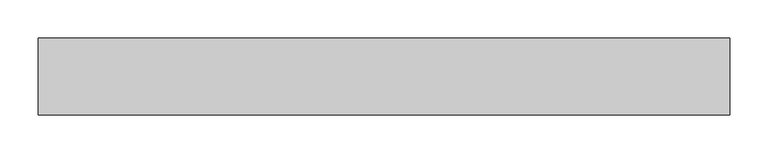
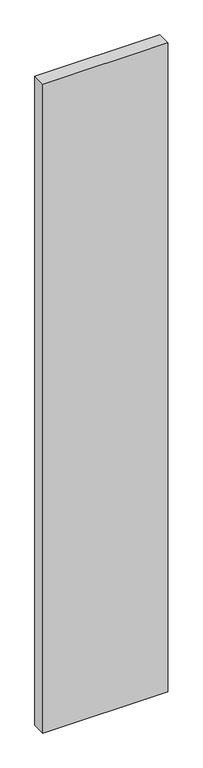
"""IFC4 building model written with IfcOpenShell, lengths in millimetres: proxy geometry."""

from ifc_helpers import new_model, si_unit, frame, origin, place, context, project, spatial, polyline, outline, extrude, source, transform, mapped, element, save


def generic_models_98c60fc6(model_context):
    return source(origin(), model_context, "Body", "SweptSolid", [
        extrude(outline(polyline([(900.0, 100.0), (900.0, 0.0), (0.0, 0.0), (0.0, 100.0), (900.0, 100.0)])), frame((0.0, 0.0, -4950.0), z_axis=(0.0, 0.0, 1.0), x_axis=(1.0, 0.0, 0.0)), (0.0, 0.0, 1.0), 4950.0),
    ])


if __name__ == "__main__":
    model = new_model("IFC4")
    model_context = context("Model", 3, world=origin())
    ifc_project = project(units=[si_unit("LENGTHUNIT", "METRE", prefix="MILLI")], contexts=[model_context])
    site = spatial("IfcSite", under=ifc_project)
    building = spatial("IfcBuilding", under=site)
    placement = place(None, origin())
    generic_models_shape = generic_models_98c60fc6(model_context)
    element("IfcBuildingElementProxy", 1, Name="Generic Models", at=placement, inside=building, context=model_context, shape_type="MappedRepresentation", body=[
        mapped(generic_models_shape, transform((0.0, 0.0, 0.0), x_axis=(1.0, 0.0, 0.0), y_axis=(0.0, 1.0, 0.0), z_axis=(0.0, 0.0, 1.0))),
    ])
    save(model, "model.ifc")
